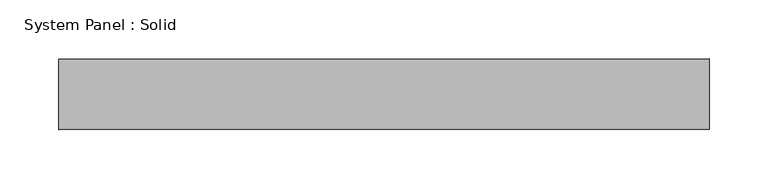
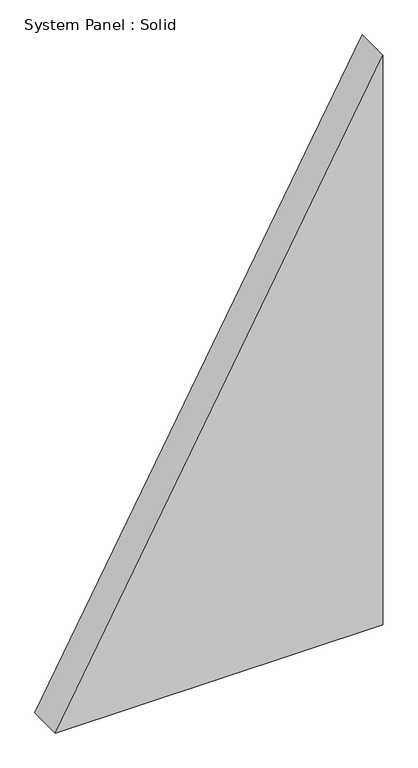
"""IFC4 building model written with IfcOpenShell, lengths in millimetres: plate geometry, System Panel : Solid."""

from ifc_helpers import new_model, si_unit, frame, origin, place, context, project, spatial, polyline, outline, extrude, source, transform, mapped, element, save


def system_panel_solid_6aa4f7b8(model_context):
    return source(origin(), model_context, "Body", "SweptSolid", [
        extrude(outline(polyline([(0.0, -276.2719411), (0.0, 276.2719411), (1015.9313792, 276.2719411), (0.0, -276.2719411)])), frame((0.0, -10.5, 0.0), z_axis=(0.0, 1.0, 0.0), x_axis=(0.0, 0.0, 1.0)), (0.0, 0.0, 1.0), 60.0),
    ])


if __name__ == "__main__":
    model = new_model("IFC4")
    model_context = context("Model", 3, world=origin())
    ifc_project = project(units=[si_unit("LENGTHUNIT", "METRE", prefix="MILLI")], contexts=[model_context])
    site = spatial("IfcSite", under=ifc_project)
    building = spatial("IfcBuilding", under=site)
    placement = place(None, origin())
    system_panel_solid_shape = system_panel_solid_6aa4f7b8(model_context)
    element("IfcPlate", 1, ObjectType="System Panel : Solid", at=placement, inside=building, context=model_context, shape_type="MappedRepresentation", body=[
        mapped(system_panel_solid_shape, transform((0.0, 0.0, 0.0), x_axis=(1.0, 0.0, 0.0), y_axis=(0.0, 1.0, 0.0), z_axis=(0.0, 0.0, 1.0))),
    ])
    save(model, "model.ifc")
